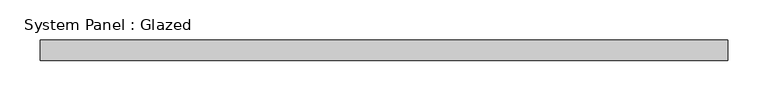
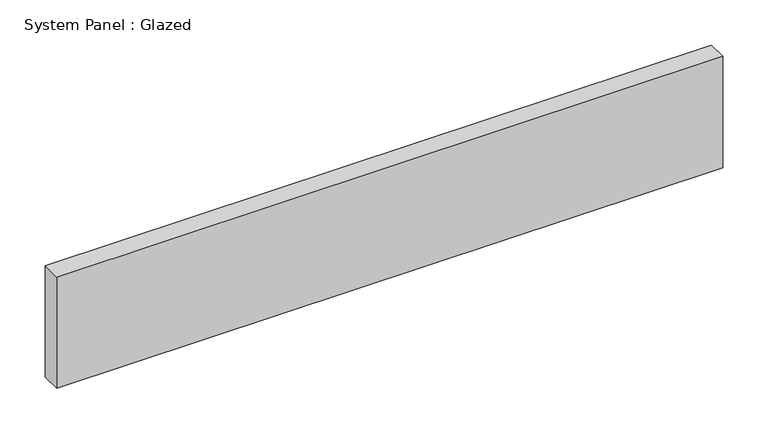
"""IFC4 building model written with IfcOpenShell, lengths in millimetres: plate geometry, System Panel : Glazed."""

from ifc_helpers import new_model, si_unit, origin, origin_with_axes, place, context, project, spatial, polyline, outline, extrude, source, transform, mapped, element, save


def system_panel_glazed_ce3338ff(model_context):
    return source(origin(), model_context, "Body", "SweptSolid", [
        extrude(outline(polyline([(425.0, -49.5), (-425.0, -49.5), (-425.0, -24.5), (425.0, -24.5), (425.0, -49.5)])), origin_with_axes(), (0.0, 0.0, 1.0), 150.0),
    ])


if __name__ == "__main__":
    model = new_model("IFC4")
    model_context = context("Model", 3, world=origin())
    ifc_project = project(units=[si_unit("LENGTHUNIT", "METRE", prefix="MILLI")], contexts=[model_context])
    site = spatial("IfcSite", under=ifc_project)
    building = spatial("IfcBuilding", under=site)
    placement = place(None, origin())
    system_panel_glazed_shape = system_panel_glazed_ce3338ff(model_context)
    element("IfcPlate", 1, ObjectType="System Panel : Glazed", at=placement, inside=building, context=model_context, shape_type="MappedRepresentation", body=[
        mapped(system_panel_glazed_shape, transform((0.0, 0.0, 0.0), x_axis=(1.0, 0.0, 0.0), y_axis=(0.0, 1.0, 0.0), z_axis=(0.0, 0.0, 1.0))),
    ])
    save(model, "model.ifc")
